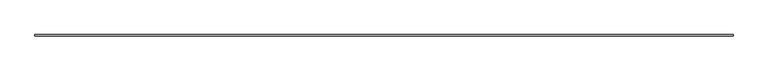
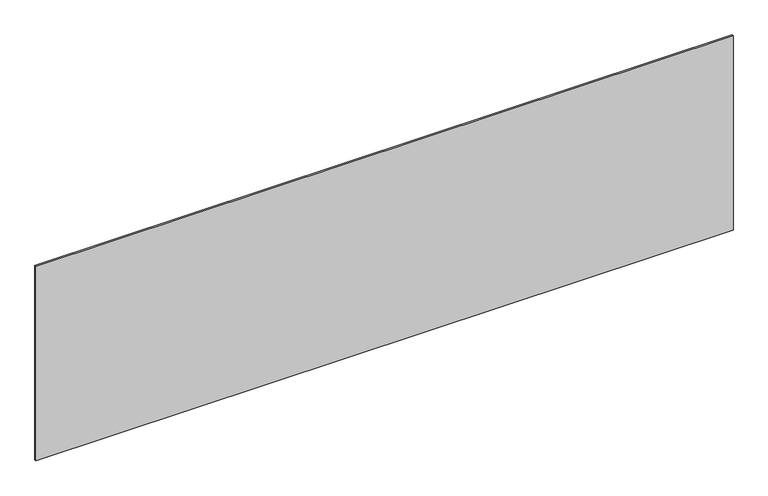
"""IFC4 building model written with IfcOpenShell, lengths in millimetres: plate geometry."""

import ifcopenshell
import ifcopenshell.guid

model = None  # the IFC model being written
_history = None  # IfcOwnerHistory: only IFC2X3 demands one
_inside = {}  # id of a spatial element -> (the spatial element, [elements in it])
_under = {}  # id of a project, library or spatial element -> (it, [spatial elements below it])
_declared = {}  # id of a project -> (the project, [libraries it declares])
_typed = {}  # id of a type object -> (the type object, [elements of that type])
_made_of = {}  # id of a material, layer set ... -> (it, [elements and type objects made of it])


def new_model(schema):
    """Start an empty IFC model of exactly this schema.

    Asked for "IFC4X3", IfcOpenShell would pick the latest addendum, in which some entities
    have other attributes; the version numbers below select the first issue.
    IFC2X3 requires an IfcOwnerHistory on every rooted entity: one is made here for all.
    """
    global model, _history
    if schema == "IFC4X3":
        model = ifcopenshell.file(schema_version=(4, 3, 0, 0))
    else:
        model = ifcopenshell.file(schema=schema)
    _inside.clear()
    _under.clear()
    _declared.clear()
    _typed.clear()
    _made_of.clear()
    _history = None
    if model.schema == "IFC2X3":
        org = make("IfcOrganization", Name="unknown")
        user = make(
            "IfcPersonAndOrganization",
            ThePerson=make("IfcPerson", FamilyName="unknown"),
            TheOrganization=org,
        )
        app = make(
            "IfcApplication",
            ApplicationDeveloper=org,
            Version="unknown",
            ApplicationFullName="unknown",
            ApplicationIdentifier="unknown",
        )
        _history = make(
            "IfcOwnerHistory",
            OwningUser=user,
            OwningApplication=app,
            ChangeAction="ADDED",
            CreationDate=0,
        )
    return model


def make(cls, **values):
    """One entity of the class cls with the attributes given. An attribute that is None is left unset."""
    return model.create_entity(
        cls, **{name: value for name, value in values.items() if value is not None}
    )


def rooted(cls, **values):
    """An entity with a GlobalId (a new one), such as an element, a storey or a relation."""
    return make(cls, GlobalId=ifcopenshell.guid.new(), OwnerHistory=_history, **values)


def si_unit(unit_type, name, prefix=None):
    """IfcSIUnit, for example si_unit("LENGTHUNIT", "METRE", prefix="MILLI")."""
    return make("IfcSIUnit", UnitType=unit_type, Prefix=prefix, Name=name)


def assignment(units):
    """IfcUnitAssignment: the units of a project."""
    return None if units is None else make("IfcUnitAssignment", Units=units)


def point(xyz):
    """IfcCartesianPoint."""
    return None if xyz is None else make("IfcCartesianPoint", Coordinates=xyz)


def direction(xyz):
    """IfcDirection."""
    return None if xyz is None else make("IfcDirection", DirectionRatios=xyz)


def frame(location, z_axis=None, x_axis=None):
    """IfcAxis2Placement3D, a coordinate frame: its origin and axes. An axis left out is left unset."""
    return make(
        "IfcAxis2Placement3D",
        Location=point(location),
        Axis=direction(z_axis),
        RefDirection=direction(x_axis),
    )


def origin():
    """The frame at (0, 0, 0) with its axes left unset."""
    return frame((0.0, 0.0, 0.0))


def origin_with_axes():
    """The frame at (0, 0, 0) with the z axis (0, 0, 1) and the x axis (1, 0, 0) written out."""
    return frame((0.0, 0.0, 0.0), z_axis=(0.0, 0.0, 1.0), x_axis=(1.0, 0.0, 0.0))


def place(relative_to, where):
    """IfcLocalPlacement: puts the frame where relative to a parent placement (None: the world)."""
    return make(
        "IfcLocalPlacement", PlacementRelTo=relative_to, RelativePlacement=where
    )


def context(
    kind, dimensions, precision=None, world=None, true_north=None, identifier=None
):
    """IfcGeometricRepresentationContext, for example the 3D "Model" context."""
    return make(
        "IfcGeometricRepresentationContext",
        ContextIdentifier=identifier,
        ContextType=kind,
        CoordinateSpaceDimension=dimensions,
        Precision=precision,
        WorldCoordinateSystem=world,
        TrueNorth=true_north,
    )


def project(units=None, contexts=None):
    """IfcProject with its units and contexts."""
    return rooted(
        "IfcProject",
        Name="project",
        RepresentationContexts=contexts,
        UnitsInContext=assignment(units),
    )


def spatial(cls, under=None, at=None, **own):
    """A site, building, storey or space (cls), placed at a placement, below another one or the project."""
    s = rooted(cls, ObjectPlacement=at, **own)
    if under is not None:
        _under.setdefault(under.id(), (under, []))[1].append(s)
    return s


def polyline(points):
    """IfcPolyline through the points."""
    return make("IfcPolyline", Points=[point(p) for p in points])


def outline(outer, holes=None, kind="AREA"):
    """IfcArbitraryClosedProfileDef: a profile drawn as a closed curve; with holes, ...WithVoids."""
    if holes is None:
        return make("IfcArbitraryClosedProfileDef", ProfileType=kind, OuterCurve=outer)
    return make(
        "IfcArbitraryProfileDefWithVoids",
        ProfileType=kind,
        OuterCurve=outer,
        InnerCurves=holes,
    )


def extrude(swept, where, along, depth):
    """IfcExtrudedAreaSolid: the profile swept, set in the frame where, extruded along a direction by depth."""
    return make(
        "IfcExtrudedAreaSolid",
        SweptArea=swept,
        Position=where,
        ExtrudedDirection=direction(along),
        Depth=depth,
    )


def shape(context_of_items, identifier, shape_type, items):
    """IfcShapeRepresentation: the items that make up one representation, for example the "Body"."""
    return make(
        "IfcShapeRepresentation",
        ContextOfItems=context_of_items,
        RepresentationIdentifier=identifier,
        RepresentationType=shape_type,
        Items=items,
    )


def source(mapping_origin, context_of_items, identifier, shape_type, items):
    """IfcRepresentationMap: a shape defined once, which mapped items show again and again."""
    return make(
        "IfcRepresentationMap",
        MappingOrigin=mapping_origin,
        MappedRepresentation=shape(context_of_items, identifier, shape_type, items),
    )


def transform(
    local_origin,
    x_axis=None,
    y_axis=None,
    z_axis=None,
    scale=None,
    scale2=None,
    scale3=None,
    uniform=True,
):
    """IfcCartesianTransformationOperator3D, or its non-uniform kind. x_axis, y_axis, z_axis: its Axis1, 2, 3."""
    if uniform:
        return make(
            "IfcCartesianTransformationOperator3D",
            Axis1=direction(x_axis),
            Axis2=direction(y_axis),
            LocalOrigin=point(local_origin),
            Scale=scale,
            Axis3=direction(z_axis),
        )
    return make(
        "IfcCartesianTransformationOperator3DnonUniform",
        Axis1=direction(x_axis),
        Axis2=direction(y_axis),
        LocalOrigin=point(local_origin),
        Scale=scale,
        Axis3=direction(z_axis),
        Scale2=scale2,
        Scale3=scale3,
    )


def mapped(mapping_source, mapping_target):
    """IfcMappedItem: shows the shape of a source again, moved by a transform."""
    return make(
        "IfcMappedItem", MappingSource=mapping_source, MappingTarget=mapping_target
    )


def made_of(thing, what):
    """Note that an element or type object is made of a material, layer set ...; save() writes the relation."""
    if what is not None:
        _made_of.setdefault(what.id(), (what, []))[1].append(thing)
    return thing


def element(
    cls,
    number,
    at=None,
    inside=None,
    cuts=None,
    type_object=None,
    material=None,
    context=None,
    identifier="Body",
    shape_type=None,
    held_by="IfcProductDefinitionShape",
    body=None,
    shapes=None,
    **own,
):
    """One element of the class cls, such as IfcWall. Its Tag is "e" and its number.

    at: its placement. inside: the storey or other place that contains it. cuts: it is an
    opening in that element (IfcRelVoidsElement). A single representation is given by context,
    identifier, shape_type and body (its items); several are given by shapes. held_by: the class
    of the entity that holds the representations. save() writes the other relations.
    """
    e = rooted(cls, Tag="e%d" % number, ObjectPlacement=at, **own)
    if body is not None:
        shapes = [shape(context, identifier, shape_type, body)]
    if shapes is not None:
        e.Representation = make(held_by, Representations=shapes)
    if inside is not None:
        _inside.setdefault(inside.id(), (inside, []))[1].append(e)
    if cuts is not None:
        rooted(
            "IfcRelVoidsElement", RelatingBuildingElement=cuts, RelatedOpeningElement=e
        )
    if type_object is not None:
        _typed.setdefault(type_object.id(), (type_object, []))[1].append(e)
    return made_of(e, material)


def aggregate(whole, parts):
    """IfcRelAggregates: a whole, such as a stair, and the parts it consists of."""
    return rooted("IfcRelAggregates", RelatingObject=whole, RelatedObjects=parts)


def save(model, path):
    """Write the relations noted so far, then the file.

    IfcRelAggregates (storeys below a building ...), IfcRelContainedInSpatialStructure (elements
    in a storey), IfcRelDefinesByType, IfcRelAssociatesMaterial and IfcRelDeclares: one each for
    every whole, place, type object, material and project.
    """
    for whole, parts in _under.values():
        aggregate(whole, parts)
    for where, things in _inside.values():
        rooted(
            "IfcRelContainedInSpatialStructure",
            RelatedElements=things,
            RelatingStructure=where,
        )
    for kind, things in _typed.values():
        rooted("IfcRelDefinesByType", RelatedObjects=things, RelatingType=kind)
    for what, things in _made_of.values():
        rooted("IfcRelAssociatesMaterial", RelatedObjects=things, RelatingMaterial=what)
    for by, libraries in _declared.values():
        rooted("IfcRelDeclares", RelatingContext=by, RelatedDefinitions=libraries)
    model.write(path)


def plate_685dfce6(model_context):
    return source(origin(), model_context, "Body", "SweptSolid", [
        extrude(outline(polyline([(2206.6666667, -5.0), (-2206.6666667, -5.0), (-2206.6666667, 5.0), (2206.6666667, 5.0), (2206.6666667, -5.0)])), origin_with_axes(), (0.0, 0.0, 1.0), 1301.3041156),
    ])


if __name__ == "__main__":
    model = new_model("IFC4")
    model_context = context("Model", 3, world=origin())
    ifc_project = project(units=[si_unit("LENGTHUNIT", "METRE", prefix="MILLI")], contexts=[model_context])
    site = spatial("IfcSite", under=ifc_project)
    building = spatial("IfcBuilding", under=site)
    placement = place(None, origin())
    plate_shape = plate_685dfce6(model_context)
    element("IfcPlate", 1, at=placement, inside=building, context=model_context, shape_type="MappedRepresentation", body=[
        mapped(plate_shape, transform((0.0, 0.0, 0.0), x_axis=(1.0, 0.0, 0.0), y_axis=(0.0, 1.0, 0.0), z_axis=(0.0, 0.0, 1.0))),
    ])
    save(model, "model.ifc")
